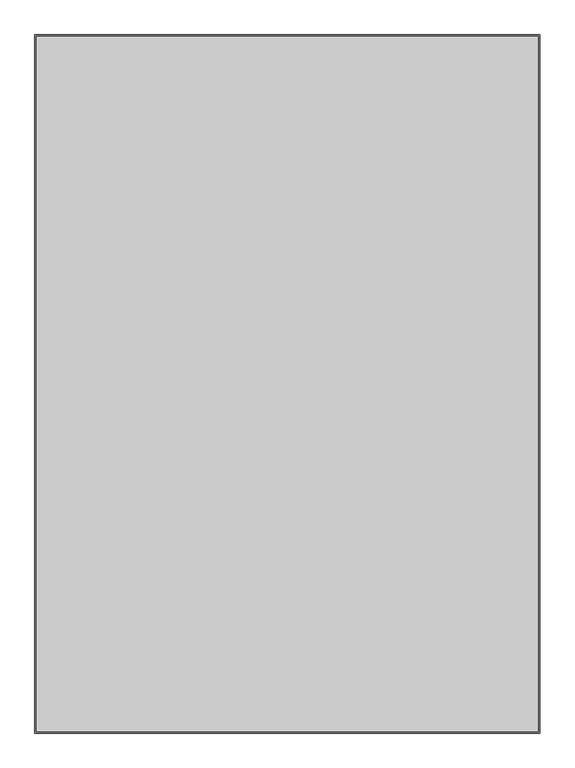
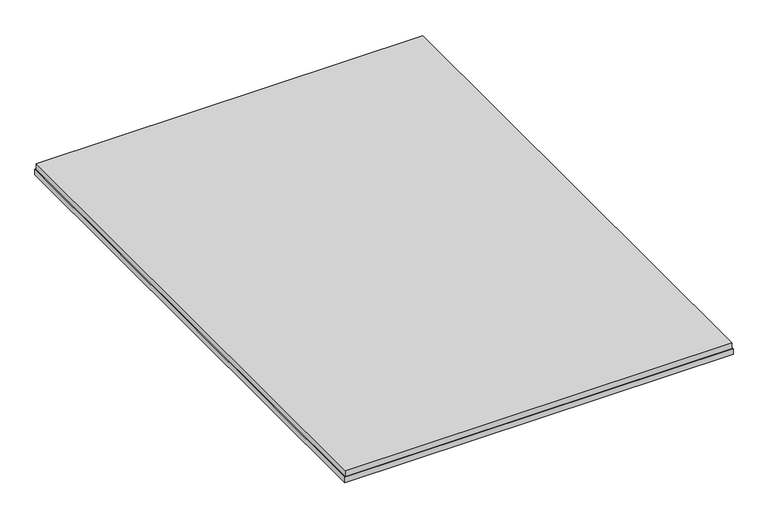
"""IFC4 building model written with IfcOpenShell, lengths in millimetres: proxy geometry."""

from ifc_helpers import new_model, si_unit, frame, origin, place, context, project, spatial, polyline, outline, extrude, source, transform, mapped, element, save


def generic_models_e5350e72(model_context):
    return source(origin(), model_context, "Body", "SweptSolid", [
        extrude(outline(polyline([(1728.5, 69.0), (69.0, 69.0), (69.0, 2367.4), (1728.5, 2367.4), (1728.5, 69.0)])), frame((0.0, 0.0, -43.0), z_axis=(0.0, 0.0, 1.0), x_axis=(1.0, 0.0, 0.0)), (0.0, 0.0, 1.0), 27.0),
        extrude(outline(polyline([(65.0, 65.0), (65.0, 2371.4), (1732.5, 2371.4), (1732.5, 65.0), (65.0, 65.0)]), holes=[polyline([(1714.5, 83.0), (1714.5, 2353.4), (83.0, 2353.4), (83.0, 83.0), (1714.5, 83.0)])]), frame((0.0, 0.0, -68.0), z_axis=(0.0, 0.0, 1.0), x_axis=(1.0, 0.0, 0.0)), (0.0, 0.0, 1.0), 25.0),
    ])


if __name__ == "__main__":
    model = new_model("IFC4")
    model_context = context("Model", 3, world=origin())
    ifc_project = project(units=[si_unit("LENGTHUNIT", "METRE", prefix="MILLI")], contexts=[model_context])
    site = spatial("IfcSite", under=ifc_project)
    building = spatial("IfcBuilding", under=site)
    placement = place(None, origin())
    generic_models_shape = generic_models_e5350e72(model_context)
    element("IfcBuildingElementProxy", 1, Name="Generic Models", at=placement, inside=building, context=model_context, shape_type="MappedRepresentation", body=[
        mapped(generic_models_shape, transform((0.0, 0.0, 0.0), x_axis=(1.0, 0.0, 0.0), y_axis=(0.0, 1.0, 0.0), z_axis=(0.0, 0.0, 1.0))),
    ])
    save(model, "model.ifc")
